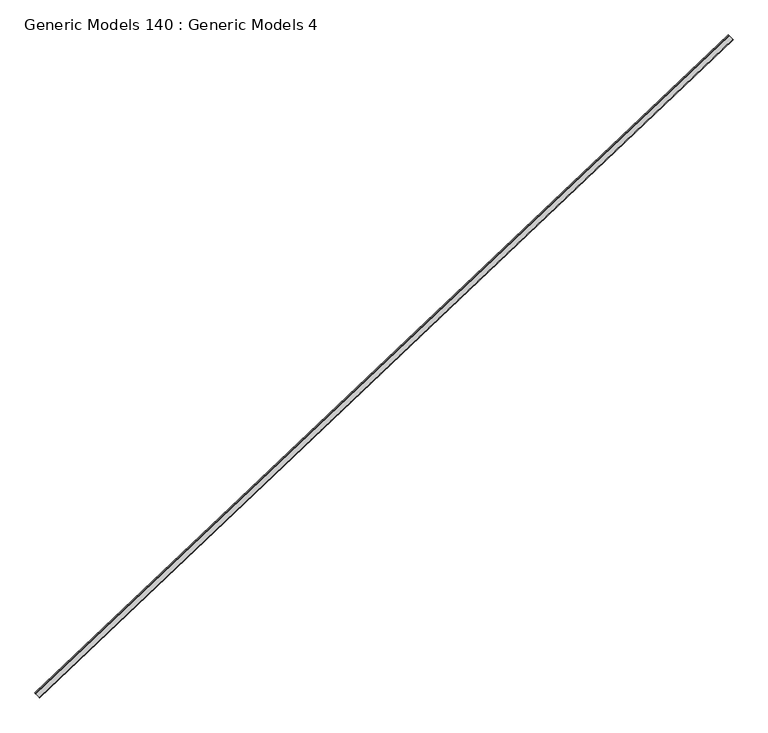
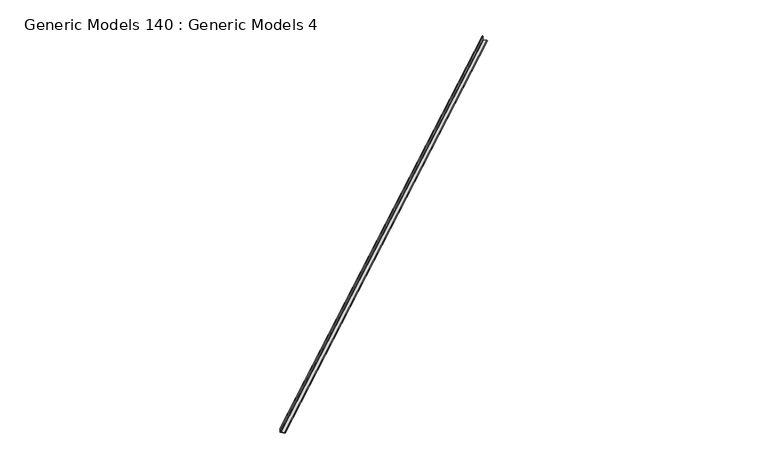
"""IFC4 building model written with IfcOpenShell, lengths in millimetres: proxy geometry, Generic Models 140 : Generic Models 4."""

from ifc_helpers import new_model, si_unit, point, frame, frame_2d, origin, place, context, project, spatial, polyline, circle_curve, trimmed, segment, composite_curve, outline, extrude, source, transform, mapped, element, save


def generic_models_140_generic_models_4_1f0f7498(model_context):
    return source(origin(), model_context, "Body", "SweptSolid", [
        extrude(outline(composite_curve([segment(polyline([(0.0, -431.8), (0.0, -304.8)]), True, "CONTINUOUS"), segment(trimmed(circle_curve(frame_2d((0.0, -317.5)), 12.7), [point((0.0, -304.8))], [point((12.7, -317.5))], False, "CARTESIAN"), True, "CONTINUOUS"), segment(polyline([(12.7, -317.5), (12.7, -406.4)]), True, "CONTINUOUS"), segment(trimmed(circle_curve(frame_2d((25.4, -406.4)), 12.7), [point((12.7, -406.4))], [point((25.4, -419.1))], True, "CARTESIAN"), True, "CONTINUOUS"), segment(polyline([(25.4, -419.1), (114.3, -419.1)]), True, "CONTINUOUS"), segment(trimmed(circle_curve(frame_2d((114.3, -431.8)), 12.7), [point((114.3, -419.1))], [point((127.0, -431.8))], False, "CARTESIAN"), True, "CONTINUOUS"), segment(polyline([(127.0, -431.8), (0.0, -431.8)]), True, "CONTINUOUS")], self_intersect=False)), frame((96107.3825378, 48471.8463956, 16610.33), z_axis=(0.725374371012385, 0.6883545756936514, 0.0), x_axis=(0.0, 0.0, 1.0)), (0.0, 0.0, 1.0), 17679.9875),
    ])


if __name__ == "__main__":
    model = new_model("IFC4")
    model_context = context("Model", 3, world=origin())
    ifc_project = project(units=[si_unit("LENGTHUNIT", "METRE", prefix="MILLI")], contexts=[model_context])
    site = spatial("IfcSite", under=ifc_project)
    building = spatial("IfcBuilding", under=site)
    placement = place(None, origin())
    generic_models_140_generic_models_4_shape = generic_models_140_generic_models_4_1f0f7498(model_context)
    element("IfcBuildingElementProxy", 1, Name="Generic Models 140 : Generic Models 4", ObjectType="Generic Models 140 : Generic Models 4", at=placement, inside=building, context=model_context, shape_type="MappedRepresentation", body=[
        mapped(generic_models_140_generic_models_4_shape, transform((0.0, 0.0, 0.0), x_axis=(1.0, 0.0, 0.0), y_axis=(0.0, 1.0, 0.0), z_axis=(0.0, 0.0, 1.0))),
    ])
    save(model, "model.ifc")
